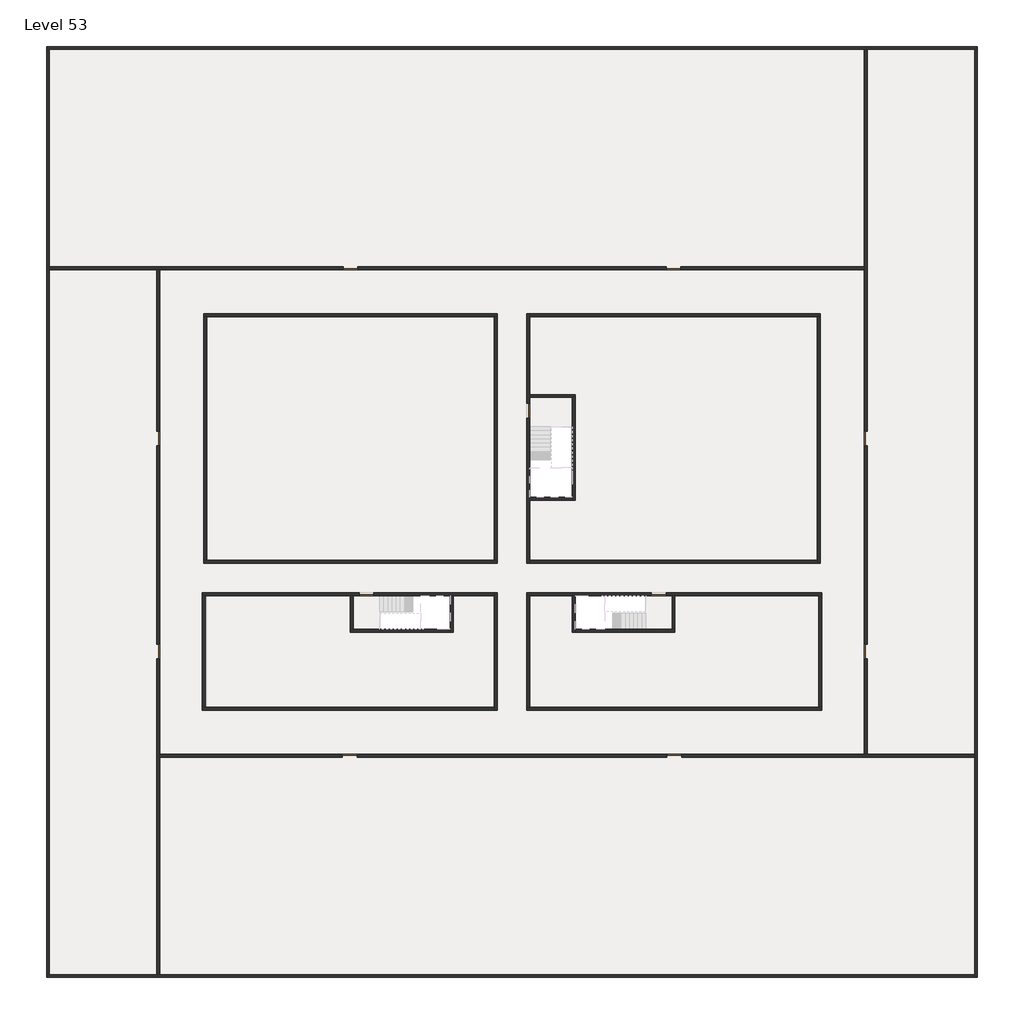
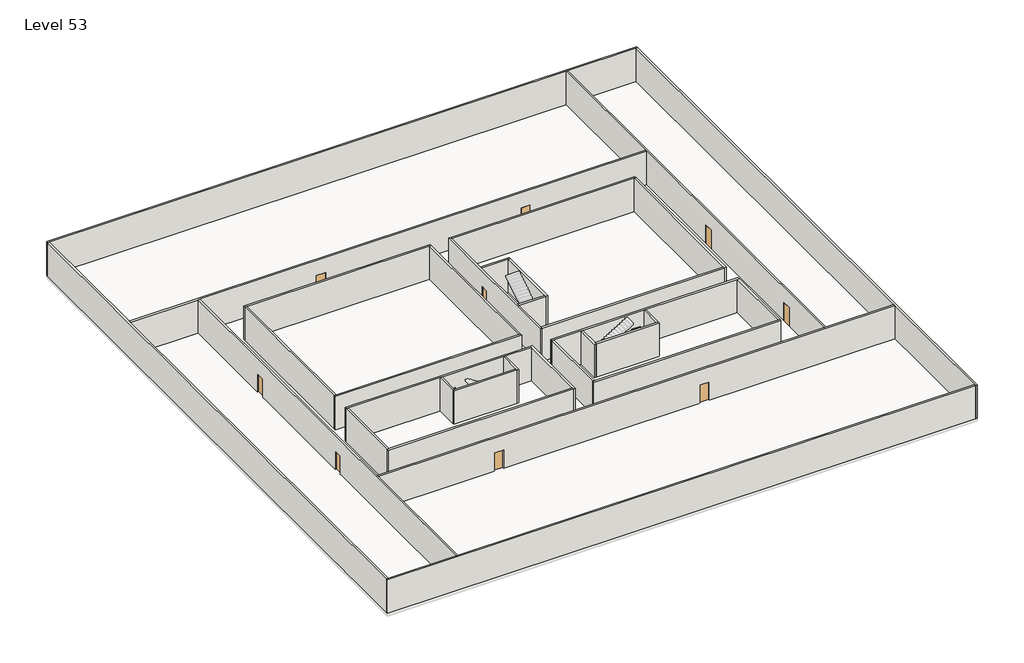
# One storey, part 1 of 2: 33 walls, 11 doors.
"""IFC4 building model written with IfcOpenShell, lengths in millimetres."""

import ifcopenshell
import ifcopenshell.guid

model = None  # the IFC model being written
_history = None  # IfcOwnerHistory: only IFC2X3 demands one
_inside = {}  # id of a spatial element -> (the spatial element, [elements in it])
_under = {}  # id of a project, library or spatial element -> (it, [spatial elements below it])
_declared = {}  # id of a project -> (the project, [libraries it declares])
_typed = {}  # id of a type object -> (the type object, [elements of that type])
_made_of = {}  # id of a material, layer set ... -> (it, [elements and type objects made of it])


def new_model(schema):
    """Start an empty IFC model of exactly this schema.

    Asked for "IFC4X3", IfcOpenShell would pick the latest addendum, in which some entities
    have other attributes; the version numbers below select the first issue.
    IFC2X3 requires an IfcOwnerHistory on every rooted entity: one is made here for all.
    """
    global model, _history
    if schema == "IFC4X3":
        model = ifcopenshell.file(schema_version=(4, 3, 0, 0))
    else:
        model = ifcopenshell.file(schema=schema)
    _inside.clear()
    _under.clear()
    _declared.clear()
    _typed.clear()
    _made_of.clear()
    _history = None
    if model.schema == "IFC2X3":
        org = make("IfcOrganization", Name="unknown")
        user = make(
            "IfcPersonAndOrganization",
            ThePerson=make("IfcPerson", FamilyName="unknown"),
            TheOrganization=org,
        )
        app = make(
            "IfcApplication",
            ApplicationDeveloper=org,
            Version="unknown",
            ApplicationFullName="unknown",
            ApplicationIdentifier="unknown",
        )
        _history = make(
            "IfcOwnerHistory",
            OwningUser=user,
            OwningApplication=app,
            ChangeAction="ADDED",
            CreationDate=0,
        )
    return model


def make(cls, **values):
    """One entity of the class cls with the attributes given. An attribute that is None is left unset."""
    return model.create_entity(
        cls, **{name: value for name, value in values.items() if value is not None}
    )


def rooted(cls, **values):
    """An entity with a GlobalId (a new one), such as an element, a storey or a relation."""
    return make(cls, GlobalId=ifcopenshell.guid.new(), OwnerHistory=_history, **values)


def si_unit(unit_type, name, prefix=None):
    """IfcSIUnit, for example si_unit("LENGTHUNIT", "METRE", prefix="MILLI")."""
    return make("IfcSIUnit", UnitType=unit_type, Prefix=prefix, Name=name)


def assignment(units):
    """IfcUnitAssignment: the units of a project."""
    return None if units is None else make("IfcUnitAssignment", Units=units)


def point(xyz):
    """IfcCartesianPoint."""
    return None if xyz is None else make("IfcCartesianPoint", Coordinates=xyz)


def direction(xyz):
    """IfcDirection."""
    return None if xyz is None else make("IfcDirection", DirectionRatios=xyz)


def frame(location, z_axis=None, x_axis=None):
    """IfcAxis2Placement3D, a coordinate frame: its origin and axes. An axis left out is left unset."""
    return make(
        "IfcAxis2Placement3D",
        Location=point(location),
        Axis=direction(z_axis),
        RefDirection=direction(x_axis),
    )


def origin():
    """The frame at (0, 0, 0) with its axes left unset."""
    return frame((0.0, 0.0, 0.0))


def origin_with_axes():
    """The frame at (0, 0, 0) with the z axis (0, 0, 1) and the x axis (1, 0, 0) written out."""
    return frame((0.0, 0.0, 0.0), z_axis=(0.0, 0.0, 1.0), x_axis=(1.0, 0.0, 0.0))


def place(relative_to, where):
    """IfcLocalPlacement: puts the frame where relative to a parent placement (None: the world)."""
    return make(
        "IfcLocalPlacement", PlacementRelTo=relative_to, RelativePlacement=where
    )


def context(
    kind, dimensions, precision=None, world=None, true_north=None, identifier=None
):
    """IfcGeometricRepresentationContext, for example the 3D "Model" context."""
    return make(
        "IfcGeometricRepresentationContext",
        ContextIdentifier=identifier,
        ContextType=kind,
        CoordinateSpaceDimension=dimensions,
        Precision=precision,
        WorldCoordinateSystem=world,
        TrueNorth=true_north,
    )


def project(units=None, contexts=None):
    """IfcProject with its units and contexts."""
    return rooted(
        "IfcProject",
        Name="project",
        RepresentationContexts=contexts,
        UnitsInContext=assignment(units),
    )


def spatial(cls, under=None, at=None, **own):
    """A site, building, storey or space (cls), placed at a placement, below another one or the project."""
    s = rooted(cls, ObjectPlacement=at, **own)
    if under is not None:
        _under.setdefault(under.id(), (under, []))[1].append(s)
    return s


def polyline(points):
    """IfcPolyline through the points."""
    return make("IfcPolyline", Points=[point(p) for p in points])


def outline(outer, holes=None, kind="AREA"):
    """IfcArbitraryClosedProfileDef: a profile drawn as a closed curve; with holes, ...WithVoids."""
    if holes is None:
        return make("IfcArbitraryClosedProfileDef", ProfileType=kind, OuterCurve=outer)
    return make(
        "IfcArbitraryProfileDefWithVoids",
        ProfileType=kind,
        OuterCurve=outer,
        InnerCurves=holes,
    )


def extrude(swept, where, along, depth):
    """IfcExtrudedAreaSolid: the profile swept, set in the frame where, extruded along a direction by depth."""
    return make(
        "IfcExtrudedAreaSolid",
        SweptArea=swept,
        Position=where,
        ExtrudedDirection=direction(along),
        Depth=depth,
    )


def faces_of(points, faces, orient=None, outer=None):
    """IfcFace entities. A face is a list of loops; a loop is a list of indices into points, from 0.

    orient and outer hold one flag for each loop. By default every Orientation is true, the
    first loop of a face is its IfcFaceOuterBound and the others are IfcFaceBound.
    """
    made = []
    for i, loops in enumerate(faces):
        bounds = []
        for j, loop in enumerate(loops):
            is_outer = j == 0 if outer is None else outer[i][j]
            bounds.append(
                make(
                    "IfcFaceOuterBound" if is_outer else "IfcFaceBound",
                    Bound=make("IfcPolyLoop", Polygon=[points[k] for k in loop]),
                    Orientation=True if orient is None else orient[i][j],
                )
            )
        made.append(make("IfcFace", Bounds=bounds))
    return made


def faceted_brep(points, faces, orient=None, outer=None, voids=None):
    """IfcFacetedBrep: a solid bounded by flat faces; with voids (closed shells), ...WithVoids."""
    shared = [point(p) for p in points]
    hull = make("IfcClosedShell", CfsFaces=faces_of(shared, faces, orient, outer))
    if voids is None:
        return make("IfcFacetedBrep", Outer=hull)
    return make(
        "IfcFacetedBrepWithVoids",
        Outer=hull,
        Voids=[
            make(cls, CfsFaces=faces_of(shared, fs, o, b)) for cls, fs, o, b in voids
        ],
    )


def shape(context_of_items, identifier, shape_type, items):
    """IfcShapeRepresentation: the items that make up one representation, for example the "Body"."""
    return make(
        "IfcShapeRepresentation",
        ContextOfItems=context_of_items,
        RepresentationIdentifier=identifier,
        RepresentationType=shape_type,
        Items=items,
    )


def source(mapping_origin, context_of_items, identifier, shape_type, items):
    """IfcRepresentationMap: a shape defined once, which mapped items show again and again."""
    return make(
        "IfcRepresentationMap",
        MappingOrigin=mapping_origin,
        MappedRepresentation=shape(context_of_items, identifier, shape_type, items),
    )


def transform(
    local_origin,
    x_axis=None,
    y_axis=None,
    z_axis=None,
    scale=None,
    scale2=None,
    scale3=None,
    uniform=True,
):
    """IfcCartesianTransformationOperator3D, or its non-uniform kind. x_axis, y_axis, z_axis: its Axis1, 2, 3."""
    if uniform:
        return make(
            "IfcCartesianTransformationOperator3D",
            Axis1=direction(x_axis),
            Axis2=direction(y_axis),
            LocalOrigin=point(local_origin),
            Scale=scale,
            Axis3=direction(z_axis),
        )
    return make(
        "IfcCartesianTransformationOperator3DnonUniform",
        Axis1=direction(x_axis),
        Axis2=direction(y_axis),
        LocalOrigin=point(local_origin),
        Scale=scale,
        Axis3=direction(z_axis),
        Scale2=scale2,
        Scale3=scale3,
    )


def mapped(mapping_source, mapping_target):
    """IfcMappedItem: shows the shape of a source again, moved by a transform."""
    return make(
        "IfcMappedItem", MappingSource=mapping_source, MappingTarget=mapping_target
    )


def made_of(thing, what):
    """Note that an element or type object is made of a material, layer set ...; save() writes the relation."""
    if what is not None:
        _made_of.setdefault(what.id(), (what, []))[1].append(thing)
    return thing


def element(
    cls,
    number,
    at=None,
    inside=None,
    cuts=None,
    type_object=None,
    material=None,
    context=None,
    identifier="Body",
    shape_type=None,
    held_by="IfcProductDefinitionShape",
    body=None,
    shapes=None,
    **own,
):
    """One element of the class cls, such as IfcWall. Its Tag is "e" and its number.

    at: its placement. inside: the storey or other place that contains it. cuts: it is an
    opening in that element (IfcRelVoidsElement). A single representation is given by context,
    identifier, shape_type and body (its items); several are given by shapes. held_by: the class
    of the entity that holds the representations. save() writes the other relations.
    """
    e = rooted(cls, Tag="e%d" % number, ObjectPlacement=at, **own)
    if body is not None:
        shapes = [shape(context, identifier, shape_type, body)]
    if shapes is not None:
        e.Representation = make(held_by, Representations=shapes)
    if inside is not None:
        _inside.setdefault(inside.id(), (inside, []))[1].append(e)
    if cuts is not None:
        rooted(
            "IfcRelVoidsElement", RelatingBuildingElement=cuts, RelatedOpeningElement=e
        )
    if type_object is not None:
        _typed.setdefault(type_object.id(), (type_object, []))[1].append(e)
    return made_of(e, material)


def aggregate(whole, parts):
    """IfcRelAggregates: a whole, such as a stair, and the parts it consists of."""
    return rooted("IfcRelAggregates", RelatingObject=whole, RelatedObjects=parts)


def save(model, path):
    """Write the relations noted so far, then the file.

    IfcRelAggregates (storeys below a building ...), IfcRelContainedInSpatialStructure (elements
    in a storey), IfcRelDefinesByType, IfcRelAssociatesMaterial and IfcRelDeclares: one each for
    every whole, place, type object, material and project.
    """
    for whole, parts in _under.values():
        aggregate(whole, parts)
    for where, things in _inside.values():
        rooted(
            "IfcRelContainedInSpatialStructure",
            RelatedElements=things,
            RelatingStructure=where,
        )
    for kind, things in _typed.values():
        rooted("IfcRelDefinesByType", RelatedObjects=things, RelatingType=kind)
    for what, things in _made_of.values():
        rooted("IfcRelAssociatesMaterial", RelatedObjects=things, RelatingMaterial=what)
    for by, libraries in _declared.values():
        rooted("IfcRelDeclares", RelatingContext=by, RelatedDefinitions=libraries)
    model.write(path)


def door_fb3c37fd(model_context):
    return source(origin(), model_context, "Body", "SweptSolid", [
        extrude(outline(polyline([(500.0, 49.0), (-500.0, 49.0), (-500.0, 100.0), (500.0, 100.0), (500.0, 49.0)])), origin_with_axes(), (0.0, 0.0, 1.0), 2100.0),
    ])


def door_0317a72c(model_context):
    return source(origin(), model_context, "Body", "SweptSolid", [
        extrude(outline(polyline([(500.0, -49.0), (500.0, -100.0), (-500.0, -100.0), (-500.0, -49.0), (500.0, -49.0)])), origin_with_axes(), (0.0, 0.0, 1.0), 2100.0),
    ])


model = new_model("IFC4")

# Units and contexts
model_context = context("Model", 3, world=origin())
ifc_project = project(units=[si_unit("LENGTHUNIT", "METRE", prefix="MILLI")], contexts=[model_context])

# Site, building, storey
site = spatial("IfcSite", under=ifc_project)
building = spatial("IfcBuilding", under=site)
storey = spatial("IfcBuildingStorey", under=building, Name="Level 53", Elevation=197600.0)

# Doors
placement = place(None, origin())
door_shape = door_fb3c37fd(model_context)
element("IfcDoor", 1, at=placement, inside=storey, context=model_context, shape_type="MappedRepresentation", body=[
    mapped(door_shape, transform((14290.1058784, -42818.09644, 197600.0), x_axis=(-1.0, 0.0, 0.0), y_axis=(0.0, -1.0, 0.0), z_axis=(0.0, 0.0, 1.0))),
])
element("IfcDoor", 2, at=placement, inside=storey, context=model_context, shape_type="MappedRepresentation", body=[
    mapped(door_shape, transform((35190.1058784, -20618.09644, 197600.0), x_axis=(-1.0, 0.0, 0.0), y_axis=(0.0, -1.0, 0.0), z_axis=(0.0, 0.0, 1.0))),
])
element("IfcDoor", 3, at=placement, inside=storey, context=model_context, shape_type="MappedRepresentation", body=[
    mapped(door_shape, transform((13190.1058784, -20618.09644, 197600.0), x_axis=(-1.0, 0.0, 0.0), y_axis=(0.0, -1.0, 0.0), z_axis=(0.0, 0.0, 1.0))),
])
element("IfcDoor", 4, at=placement, inside=storey, context=model_context, shape_type="MappedRepresentation", body=[
    mapped(door_shape, transform((90.1058784, -32218.09644, 197600.0), x_axis=(0.0, -1.0, 0.0), y_axis=(1.0, 0.0, 0.0), z_axis=(0.0, 0.0, 1.0))),
])
element("IfcDoor", 5, at=placement, inside=storey, context=model_context, shape_type="MappedRepresentation", body=[
    mapped(door_shape, transform((90.1058784, -46718.09644, 197600.0), x_axis=(0.0, -1.0, 0.0), y_axis=(1.0, 0.0, 0.0), z_axis=(0.0, 0.0, 1.0))),
])
element("IfcDoor", 6, at=placement, inside=storey, context=model_context, shape_type="MappedRepresentation", body=[
    mapped(door_shape, transform((13140.1058784, -53818.09644, 197600.0), x_axis=(1.0, 0.0, 0.0), y_axis=(0.0, 1.0, 0.0), z_axis=(0.0, 0.0, 1.0))),
])
element("IfcDoor", 7, at=placement, inside=storey, context=model_context, shape_type="MappedRepresentation", body=[
    mapped(door_shape, transform((35240.1058784, -53818.09644, 197600.0), x_axis=(1.0, 0.0, 0.0), y_axis=(0.0, 1.0, 0.0), z_axis=(0.0, 0.0, 1.0))),
])
door_2_shape = door_0317a72c(model_context)
element("IfcDoor", 8, at=placement, inside=storey, context=model_context, shape_type="MappedRepresentation", body=[
    mapped(door_2_shape, transform((25290.1058784, -30318.09644, 197600.0), x_axis=(0.0, 1.0, 0.0), y_axis=(-1.0, 0.0, 0.0), z_axis=(0.0, 0.0, 1.0))),
])
element("IfcDoor", 9, at=placement, inside=storey, context=model_context, shape_type="MappedRepresentation", body=[
    mapped(door_2_shape, transform((34190.1058784, -42818.09644, 197600.0), x_axis=(1.0, 0.0, 0.0), y_axis=(0.0, 1.0, 0.0), z_axis=(0.0, 0.0, 1.0))),
])
element("IfcDoor", 10, at=placement, inside=storey, context=model_context, shape_type="MappedRepresentation", body=[
    mapped(door_2_shape, transform((48290.1058784, -46718.09644, 197600.0), x_axis=(0.0, -1.0, 0.0), y_axis=(1.0, 0.0, 0.0), z_axis=(0.0, 0.0, 1.0))),
])
element("IfcDoor", 11, at=placement, inside=storey, context=model_context, shape_type="MappedRepresentation", body=[
    mapped(door_2_shape, transform((48290.1058784, -32218.09644, 197600.0), x_axis=(0.0, -1.0, 0.0), y_axis=(1.0, 0.0, 0.0), z_axis=(0.0, 0.0, 1.0))),
])

# Walls
element("IfcWall", 12, at=placement, inside=storey, context=model_context, shape_type="Brep", body=[
    faceted_brep([(-7509.8941216, -5718.09644, 197600.0), (-7309.8941216, -5718.09644, 197600.0), (48190.1058784, -5718.09644, 197600.0), (48390.1058784, -5718.09644, 197600.0), (55690.1058784, -5718.09644, 197600.0), (55890.1058784, -5718.09644, 197600.0), (55890.1058784, -5718.09644, 201400.0), (55690.1058784, -5718.09644, 201400.0), (48390.1058784, -5718.09644, 201400.0), (48190.1058784, -5718.09644, 201400.0), (-7309.8941216, -5718.09644, 201400.0), (-7509.8941216, -5718.09644, 201400.0), (-7509.8941216, -5518.09644, 197600.0), (-7509.8941216, -5518.09644, 201400.0), (55890.1058784, -5518.09644, 201400.0), (55890.1058784, -5518.09644, 197600.0)], [[[0, 1, 2, 3, 4, 5, 6, 7, 8, 9, 10, 11]], [[12, 13, 14, 15]], [[5, 4, 3, 2, 1, 0, 12, 15]], [[11, 10, 9, 8, 7, 6, 14, 13]], [[0, 11, 13, 12]], [[6, 5, 15, 14]]]),
])
element("IfcWall", 13, at=placement, inside=storey, context=model_context, shape_type="Brep", body=[
    faceted_brep([(55690.1058784, -5718.09644, 197600.0), (55690.1058784, -53718.09644, 197600.0), (55690.1058784, -53918.09644, 197600.0), (55690.1058784, -68718.09644, 197600.0), (55690.1058784, -68918.09644, 197600.0), (55690.1058784, -68918.09644, 201400.0), (55690.1058784, -68718.09644, 201400.0), (55690.1058784, -53918.09644, 201400.0), (55690.1058784, -53718.09644, 201400.0), (55690.1058784, -5718.09644, 201400.0), (55890.1058784, -5718.09644, 197600.0), (55890.1058784, -5718.09644, 201400.0), (55890.1058784, -68918.09644, 201400.0), (55890.1058784, -68918.09644, 197600.0)], [[[0, 1, 2, 3, 4, 5, 6, 7, 8, 9]], [[10, 11, 12, 13]], [[4, 3, 2, 1, 0, 10, 13]], [[9, 8, 7, 6, 5, 12, 11]], [[5, 4, 13, 12]], [[0, 9, 11, 10]]]),
])
element("IfcWall", 14, at=placement, inside=storey, context=model_context, shape_type="Brep", body=[
    faceted_brep([(55690.1058784, -68718.09644, 197600.0), (190.1058784, -68718.09644, 197600.0), (-9.8941216, -68718.09644, 197600.0), (-7309.8941216, -68718.09644, 197600.0), (-7509.8941216, -68718.09644, 197600.0), (-7509.8941216, -68718.09644, 201400.0), (-7309.8941216, -68718.09644, 201400.0), (-9.8941216, -68718.09644, 201400.0), (190.1058784, -68718.09644, 201400.0), (55690.1058784, -68718.09644, 201400.0), (55690.1058784, -68918.09644, 197600.0), (55690.1058784, -68918.09644, 201400.0), (-7509.8941216, -68918.09644, 201400.0), (-7509.8941216, -68918.09644, 197600.0)], [[[0, 1, 2, 3, 4, 5, 6, 7, 8, 9]], [[10, 11, 12, 13]], [[4, 3, 2, 1, 0, 10, 13]], [[9, 8, 7, 6, 5, 12, 11]], [[5, 4, 13, 12]], [[0, 9, 11, 10]]]),
])
element("IfcWall", 15, at=placement, inside=storey, context=model_context, shape_type="Brep", body=[
    faceted_brep([(-7309.8941216, -68718.09644, 197600.0), (-7309.8941216, -20718.09644, 197600.0), (-7309.8941216, -20518.09644, 197600.0), (-7309.8941216, -5718.09644, 197600.0), (-7309.8941216, -5718.09644, 201400.0), (-7309.8941216, -20518.09644, 201400.0), (-7309.8941216, -20718.09644, 201400.0), (-7309.8941216, -68718.09644, 201400.0), (-7509.8941216, -68718.09644, 197600.0), (-7509.8941216, -68718.09644, 201400.0), (-7509.8941216, -5718.09644, 201400.0), (-7509.8941216, -5718.09644, 197600.0)], [[[0, 1, 2, 3, 4, 5, 6, 7]], [[8, 9, 10, 11]], [[3, 2, 1, 0, 8, 11]], [[7, 6, 5, 4, 10, 9]], [[0, 7, 9, 8]], [[4, 3, 11, 10]]]),
])
element("IfcWall", 16, at=placement, inside=storey, context=model_context, shape_type="Brep", body=[
    faceted_brep([(3190.1058784, -23918.09644, 197600.0), (3390.1058784, -23918.09644, 197600.0), (22990.1058784, -23918.09644, 197600.0), (23190.1058784, -23918.09644, 197600.0), (23190.1058784, -23918.09644, 201400.0), (22990.1058784, -23918.09644, 201400.0), (3390.1058784, -23918.09644, 201400.0), (3190.1058784, -23918.09644, 201400.0), (3190.1058784, -23718.09644, 197600.0), (3190.1058784, -23718.09644, 201400.0), (23190.1058784, -23718.09644, 201400.0), (23190.1058784, -23718.09644, 197600.0)], [[[0, 1, 2, 3, 4, 5, 6, 7]], [[8, 9, 10, 11]], [[3, 2, 1, 0, 8, 11]], [[7, 6, 5, 4, 10, 9]], [[4, 3, 11, 10]], [[0, 7, 9, 8]]]),
])
element("IfcWall", 17, at=placement, inside=storey, context=model_context, shape_type="Brep", body=[
    faceted_brep([(44990.1058784, -23918.09644, 197600.0), (44990.1058784, -40518.09644, 197600.0), (44990.1058784, -40718.09644, 197600.0), (44990.1058784, -40718.09644, 201400.0), (44990.1058784, -40518.09644, 201400.0), (44990.1058784, -23918.09644, 201400.0), (45190.1058784, -23918.09644, 197600.0), (45190.1058784, -23918.09644, 201400.0), (45190.1058784, -40718.09644, 201400.0), (45190.1058784, -40718.09644, 197600.0)], [[[0, 1, 2, 3, 4, 5]], [[6, 7, 8, 9]], [[2, 1, 0, 6, 9]], [[5, 4, 3, 8, 7]], [[3, 2, 9, 8]], [[0, 5, 7, 6]]]),
])
element("IfcWall", 18, at=placement, inside=storey, context=model_context, shape_type="Brep", body=[
    faceted_brep([(45290.1058784, -50518.09644, 197600.0), (45090.1058784, -50518.09644, 197600.0), (25390.1058784, -50518.09644, 197600.0), (25190.1058784, -50518.09644, 197600.0), (25190.1058784, -50518.09644, 201400.0), (25390.1058784, -50518.09644, 201400.0), (45090.1058784, -50518.09644, 201400.0), (45290.1058784, -50518.09644, 201400.0), (45290.1058784, -50718.09644, 197600.0), (45290.1058784, -50718.09644, 201400.0), (25190.1058784, -50718.09644, 201400.0), (25190.1058784, -50718.09644, 197600.0)], [[[0, 1, 2, 3, 4, 5, 6, 7]], [[8, 9, 10, 11]], [[3, 2, 1, 0, 8, 11]], [[7, 6, 5, 4, 10, 9]], [[4, 3, 11, 10]], [[0, 7, 9, 8]]]),
])
element("IfcWall", 19, at=placement, inside=storey, context=model_context, shape_type="SweptSolid", body=[
    extrude(outline(polyline([(22990.1058784, -40518.09644), (22990.1058784, -23918.09644), (23190.1058784, -23918.09644), (23190.1058784, -40518.09644), (22990.1058784, -40518.09644)])), frame((0.0, 0.0, 197600.0), z_axis=(0.0, 0.0, 1.0), x_axis=(1.0, 0.0, 0.0)), (0.0, 0.0, 1.0), 3800.0),
])
element("IfcWall", 20, at=placement, inside=storey, context=model_context, shape_type="Brep", body=[
    faceted_brep([(23190.1058784, -40518.09644, 197600.0), (22990.1058784, -40518.09644, 197600.0), (3390.1058784, -40518.09644, 197600.0), (3190.1058784, -40518.09644, 197600.0), (3190.1058784, -40518.09644, 201400.0), (3390.1058784, -40518.09644, 201400.0), (22990.1058784, -40518.09644, 201400.0), (23190.1058784, -40518.09644, 201400.0), (23190.1058784, -40718.09644, 197600.0), (23190.1058784, -40718.09644, 201400.0), (3190.1058784, -40718.09644, 201400.0), (3190.1058784, -40718.09644, 197600.0)], [[[0, 1, 2, 3, 4, 5, 6, 7]], [[8, 9, 10, 11]], [[3, 2, 1, 0, 8, 11]], [[7, 6, 5, 4, 10, 9]], [[0, 7, 9, 8]], [[4, 3, 11, 10]]]),
])
element("IfcWall", 21, at=placement, inside=storey, context=model_context, shape_type="Brep", body=[
    faceted_brep([(3090.1058784, -42918.09644, 197600.0), (3290.1058784, -42918.09644, 197600.0), (13190.1058784, -42918.09644, 197600.0), (13390.1058784, -42918.09644, 197600.0), (13790.1058784, -42918.09644, 197600.0), (13790.1058784, -42918.09644, 199700.0), (14790.1058784, -42918.09644, 199700.0), (14790.1058784, -42918.09644, 197600.0), (19990.1058784, -42918.09644, 197600.0), (20190.1058784, -42918.09644, 197600.0), (22990.1058784, -42918.09644, 197600.0), (22990.1058784, -42918.09644, 201400.0), (20190.1058784, -42918.09644, 201400.0), (19990.1058784, -42918.09644, 201400.0), (13390.1058784, -42918.09644, 201400.0), (13190.1058784, -42918.09644, 201400.0), (3290.1058784, -42918.09644, 201400.0), (3090.1058784, -42918.09644, 201400.0), (13790.1058784, -42718.09644, 199700.0), (13790.1058784, -42718.09644, 197600.0), (3090.1058784, -42718.09644, 197600.0), (3090.1058784, -42718.09644, 201400.0), (22990.1058784, -42718.09644, 201400.0), (22990.1058784, -42718.09644, 197600.0), (14790.1058784, -42718.09644, 197600.0), (14790.1058784, -42718.09644, 199700.0)], [[[0, 1, 2, 3, 4, 5, 6, 7, 8, 9, 10, 11, 12, 13, 14, 15, 16, 17]], [[18, 19, 20, 21, 22, 23, 24, 25]], [[24, 23, 10, 9, 8, 7]], [[20, 19, 4, 3, 2, 1, 0]], [[17, 16, 15, 14, 13, 12, 11, 22, 21]], [[5, 4, 19, 18]], [[6, 5, 18, 25]], [[7, 6, 25, 24]], [[0, 17, 21, 20]], [[11, 10, 23, 22]]]),
])
element("IfcWall", 22, at=placement, inside=storey, context=model_context, shape_type="SweptSolid", body=[
    extrude(outline(polyline([(25390.1058784, -40518.09644), (44990.1058784, -40518.09644), (44990.1058784, -40718.09644), (25390.1058784, -40718.09644), (25390.1058784, -40518.09644)])), frame((0.0, 0.0, 197600.0), z_axis=(0.0, 0.0, 1.0), x_axis=(1.0, 0.0, 0.0)), (0.0, 0.0, 1.0), 3800.0),
])
element("IfcWall", 23, at=placement, inside=storey, context=model_context, shape_type="Brep", body=[
    faceted_brep([(25390.1058784, -29818.09644, 199700.0), (25390.1058784, -29818.09644, 197600.0), (25390.1058784, -29418.09644, 197600.0), (25390.1058784, -29218.09644, 197600.0), (25390.1058784, -23918.09644, 197600.0), (25390.1058784, -23718.09644, 197600.0), (25390.1058784, -23718.09644, 201400.0), (25390.1058784, -23918.09644, 201400.0), (25390.1058784, -29218.09644, 201400.0), (25390.1058784, -29418.09644, 201400.0), (25390.1058784, -36218.09644, 201400.0), (25390.1058784, -36418.09644, 201400.0), (25390.1058784, -40518.09644, 201400.0), (25390.1058784, -40718.09644, 201400.0), (25390.1058784, -40718.09644, 197600.0), (25390.1058784, -40518.09644, 197600.0), (25390.1058784, -36418.09644, 197600.0), (25390.1058784, -36218.09644, 197600.0), (25390.1058784, -30818.09644, 197600.0), (25390.1058784, -30818.09644, 199700.0), (25190.1058784, -23718.09644, 197600.0), (25190.1058784, -29818.09644, 197600.0), (25190.1058784, -29818.09644, 199700.0), (25190.1058784, -30818.09644, 199700.0), (25190.1058784, -30818.09644, 197600.0), (25190.1058784, -40718.09644, 197600.0), (25190.1058784, -40718.09644, 201400.0), (25190.1058784, -23718.09644, 201400.0)], [[[0, 1, 2, 3, 4, 5, 6, 7, 8, 9, 10, 11, 12, 13, 14, 15, 16, 17, 18, 19]], [[20, 21, 22, 23, 24, 25, 26, 27]], [[5, 4, 3, 2, 1, 21, 20]], [[18, 17, 16, 15, 14, 25, 24]], [[13, 12, 11, 10, 9, 8, 7, 6, 27, 26]], [[22, 21, 1, 0]], [[23, 22, 0, 19]], [[24, 23, 19, 18]], [[14, 13, 26, 25]], [[6, 5, 20, 27]]]),
])
element("IfcWall", 24, at=placement, inside=storey, context=model_context, shape_type="SweptSolid", body=[
    extrude(outline(polyline([(3390.1058784, -23918.09644), (3390.1058784, -40518.09644), (3190.1058784, -40518.09644), (3190.1058784, -23918.09644), (3390.1058784, -23918.09644)])), frame((0.0, 0.0, 197600.0), z_axis=(0.0, 0.0, 1.0), x_axis=(1.0, 0.0, 0.0)), (0.0, 0.0, 1.0), 3800.0),
])
element("IfcWall", 25, at=placement, inside=storey, context=model_context, shape_type="Brep", body=[
    faceted_brep([(25390.1058784, -23918.09644, 197600.0), (44990.1058784, -23918.09644, 197600.0), (45190.1058784, -23918.09644, 197600.0), (45190.1058784, -23918.09644, 201400.0), (44990.1058784, -23918.09644, 201400.0), (25390.1058784, -23918.09644, 201400.0), (25390.1058784, -23718.09644, 197600.0), (25390.1058784, -23718.09644, 201400.0), (45190.1058784, -23718.09644, 201400.0), (45190.1058784, -23718.09644, 197600.0)], [[[0, 1, 2, 3, 4, 5]], [[6, 7, 8, 9]], [[2, 1, 0, 6, 9]], [[5, 4, 3, 8, 7]], [[3, 2, 9, 8]], [[0, 5, 7, 6]]]),
])
element("IfcWall", 26, at=placement, inside=storey, context=model_context, shape_type="Brep", body=[
    faceted_brep([(25390.1058784, -29418.09644, 197600.0), (28290.1058784, -29418.09644, 197600.0), (28490.1058784, -29418.09644, 197600.0), (28490.1058784, -29418.09644, 201400.0), (28290.1058784, -29418.09644, 201400.0), (25390.1058784, -29418.09644, 201400.0), (25390.1058784, -29218.09644, 197600.0), (25390.1058784, -29218.09644, 201400.0), (28490.1058784, -29218.09644, 201400.0), (28490.1058784, -29218.09644, 197600.0)], [[[0, 1, 2, 3, 4, 5]], [[6, 7, 8, 9]], [[2, 1, 0, 6, 9]], [[5, 4, 3, 8, 7]], [[3, 2, 9, 8]], [[0, 5, 7, 6]]]),
])
element("IfcWall", 27, at=placement, inside=storey, context=model_context, shape_type="Brep", body=[
    faceted_brep([(28290.1058784, -29418.09644, 197600.0), (28290.1058784, -36218.09644, 197600.0), (28290.1058784, -36418.09644, 197600.0), (28290.1058784, -36418.09644, 201400.0), (28290.1058784, -36218.09644, 201400.0), (28290.1058784, -29418.09644, 201400.0), (28490.1058784, -29418.09644, 197600.0), (28490.1058784, -29418.09644, 201400.0), (28490.1058784, -36418.09644, 201400.0), (28490.1058784, -36418.09644, 197600.0)], [[[0, 1, 2, 3, 4, 5]], [[6, 7, 8, 9]], [[2, 1, 0, 6, 9]], [[5, 4, 3, 8, 7]], [[3, 2, 9, 8]], [[0, 5, 7, 6]]]),
])
element("IfcWall", 28, at=placement, inside=storey, context=model_context, shape_type="SweptSolid", body=[
    extrude(outline(polyline([(25390.1058784, -36218.09644), (28290.1058784, -36218.09644), (28290.1058784, -36418.09644), (25390.1058784, -36418.09644), (25390.1058784, -36218.09644)])), frame((0.0, 0.0, 197600.0), z_axis=(0.0, 0.0, 1.0), x_axis=(1.0, 0.0, 0.0)), (0.0, 0.0, 1.0), 3800.0),
])
element("IfcWall", 29, at=placement, inside=storey, context=model_context, shape_type="SweptSolid", body=[
    extrude(outline(polyline([(25190.1058784, -50518.09644), (25190.1058784, -42918.09644), (25390.1058784, -42918.09644), (25390.1058784, -50518.09644), (25190.1058784, -50518.09644)])), frame((0.0, 0.0, 197600.0), z_axis=(0.0, 0.0, 1.0), x_axis=(1.0, 0.0, 0.0)), (0.0, 0.0, 1.0), 3800.0),
])
element("IfcWall", 30, at=placement, inside=storey, context=model_context, shape_type="Brep", body=[
    faceted_brep([(22990.1058784, -42718.09644, 197600.0), (22990.1058784, -42918.09644, 197600.0), (22990.1058784, -50518.09644, 197600.0), (22990.1058784, -50718.09644, 197600.0), (22990.1058784, -50718.09644, 201400.0), (22990.1058784, -50518.09644, 201400.0), (22990.1058784, -42918.09644, 201400.0), (22990.1058784, -42718.09644, 201400.0), (23190.1058784, -42718.09644, 197600.0), (23190.1058784, -42718.09644, 201400.0), (23190.1058784, -50718.09644, 201400.0), (23190.1058784, -50718.09644, 197600.0)], [[[0, 1, 2, 3, 4, 5, 6, 7]], [[8, 9, 10, 11]], [[3, 2, 1, 0, 8, 11]], [[7, 6, 5, 4, 10, 9]], [[4, 3, 11, 10]], [[0, 7, 9, 8]]]),
])
element("IfcWall", 31, at=placement, inside=storey, context=model_context, shape_type="Brep", body=[
    faceted_brep([(34690.1058784, -42918.09644, 199700.0), (34690.1058784, -42918.09644, 197600.0), (35090.1058784, -42918.09644, 197600.0), (35290.1058784, -42918.09644, 197600.0), (45090.1058784, -42918.09644, 197600.0), (45290.1058784, -42918.09644, 197600.0), (45290.1058784, -42918.09644, 201400.0), (45090.1058784, -42918.09644, 201400.0), (35290.1058784, -42918.09644, 201400.0), (35090.1058784, -42918.09644, 201400.0), (28490.1058784, -42918.09644, 201400.0), (28290.1058784, -42918.09644, 201400.0), (25390.1058784, -42918.09644, 201400.0), (25190.1058784, -42918.09644, 201400.0), (25190.1058784, -42918.09644, 197600.0), (25390.1058784, -42918.09644, 197600.0), (28290.1058784, -42918.09644, 197600.0), (28490.1058784, -42918.09644, 197600.0), (33690.1058784, -42918.09644, 197600.0), (33690.1058784, -42918.09644, 199700.0), (45290.1058784, -42718.09644, 197600.0), (34690.1058784, -42718.09644, 197600.0), (34690.1058784, -42718.09644, 199700.0), (33690.1058784, -42718.09644, 199700.0), (33690.1058784, -42718.09644, 197600.0), (25190.1058784, -42718.09644, 197600.0), (25190.1058784, -42718.09644, 201400.0), (45290.1058784, -42718.09644, 201400.0)], [[[0, 1, 2, 3, 4, 5, 6, 7, 8, 9, 10, 11, 12, 13, 14, 15, 16, 17, 18, 19]], [[20, 21, 22, 23, 24, 25, 26, 27]], [[5, 4, 3, 2, 1, 21, 20]], [[18, 17, 16, 15, 14, 25, 24]], [[13, 12, 11, 10, 9, 8, 7, 6, 27, 26]], [[22, 21, 1, 0]], [[23, 22, 0, 19]], [[24, 23, 19, 18]], [[14, 13, 26, 25]], [[6, 5, 20, 27]]]),
])
element("IfcWall", 32, at=placement, inside=storey, context=model_context, shape_type="Brep", body=[
    faceted_brep([(22990.1058784, -50518.09644, 197600.0), (3290.1058784, -50518.09644, 197600.0), (3090.1058784, -50518.09644, 197600.0), (3090.1058784, -50518.09644, 201400.0), (3290.1058784, -50518.09644, 201400.0), (22990.1058784, -50518.09644, 201400.0), (22990.1058784, -50718.09644, 197600.0), (22990.1058784, -50718.09644, 201400.0), (3090.1058784, -50718.09644, 201400.0), (3090.1058784, -50718.09644, 197600.0)], [[[0, 1, 2, 3, 4, 5]], [[6, 7, 8, 9]], [[2, 1, 0, 6, 9]], [[5, 4, 3, 8, 7]], [[0, 5, 7, 6]], [[3, 2, 9, 8]]]),
])
element("IfcWall", 33, at=placement, inside=storey, context=model_context, shape_type="Brep", body=[
    faceted_brep([(28290.1058784, -42918.09644, 197600.0), (28290.1058784, -45418.09644, 197600.0), (28290.1058784, -45418.09644, 201400.0), (28290.1058784, -42918.09644, 201400.0), (28490.1058784, -42918.09644, 197600.0), (28490.1058784, -42918.09644, 201400.0), (28490.1058784, -45218.09644, 201400.0), (28490.1058784, -45418.09644, 201400.0), (28490.1058784, -45418.09644, 197600.0), (28490.1058784, -45218.09644, 197600.0)], [[[0, 1, 2, 3]], [[4, 5, 6, 7, 8, 9]], [[1, 0, 4, 9, 8]], [[3, 2, 7, 6, 5]], [[2, 1, 8, 7]], [[0, 3, 5, 4]]]),
])
element("IfcWall", 34, at=placement, inside=storey, context=model_context, shape_type="Brep", body=[
    faceted_brep([(28490.1058784, -45418.09644, 197600.0), (35290.1058784, -45418.09644, 197600.0), (35290.1058784, -45418.09644, 201400.0), (28490.1058784, -45418.09644, 201400.0), (28490.1058784, -45218.09644, 197600.0), (28490.1058784, -45218.09644, 201400.0), (35090.1058784, -45218.09644, 201400.0), (35290.1058784, -45218.09644, 201400.0), (35290.1058784, -45218.09644, 197600.0), (35090.1058784, -45218.09644, 197600.0)], [[[0, 1, 2, 3]], [[4, 5, 6, 7, 8, 9]], [[1, 0, 4, 9, 8]], [[3, 2, 7, 6, 5]], [[2, 1, 8, 7]], [[0, 3, 5, 4]]]),
])
element("IfcWall", 35, at=placement, inside=storey, context=model_context, shape_type="SweptSolid", body=[
    extrude(outline(polyline([(35290.1058784, -42918.09644), (35290.1058784, -45218.09644), (35090.1058784, -45218.09644), (35090.1058784, -42918.09644), (35290.1058784, -42918.09644)])), frame((0.0, 0.0, 197600.0), z_axis=(0.0, 0.0, 1.0), x_axis=(1.0, 0.0, 0.0)), (0.0, 0.0, 1.0), 3800.0),
])
element("IfcWall", 36, at=placement, inside=storey, context=model_context, shape_type="Brep", body=[
    faceted_brep([(19990.1058784, -42918.09644, 197600.0), (19990.1058784, -45218.09644, 197600.0), (19990.1058784, -45418.09644, 197600.0), (19990.1058784, -45418.09644, 201400.0), (19990.1058784, -45218.09644, 201400.0), (19990.1058784, -42918.09644, 201400.0), (20190.1058784, -42918.09644, 197600.0), (20190.1058784, -42918.09644, 201400.0), (20190.1058784, -45418.09644, 201400.0), (20190.1058784, -45418.09644, 197600.0)], [[[0, 1, 2, 3, 4, 5]], [[6, 7, 8, 9]], [[2, 1, 0, 6, 9]], [[5, 4, 3, 8, 7]], [[3, 2, 9, 8]], [[0, 5, 7, 6]]]),
])
element("IfcWall", 37, at=placement, inside=storey, context=model_context, shape_type="Brep", body=[
    faceted_brep([(19990.1058784, -45218.09644, 197600.0), (13390.1058784, -45218.09644, 197600.0), (13190.1058784, -45218.09644, 197600.0), (13190.1058784, -45218.09644, 201400.0), (13390.1058784, -45218.09644, 201400.0), (19990.1058784, -45218.09644, 201400.0), (19990.1058784, -45418.09644, 197600.0), (19990.1058784, -45418.09644, 201400.0), (13190.1058784, -45418.09644, 201400.0), (13190.1058784, -45418.09644, 197600.0)], [[[0, 1, 2, 3, 4, 5]], [[6, 7, 8, 9]], [[2, 1, 0, 6, 9]], [[5, 4, 3, 8, 7]], [[0, 5, 7, 6]], [[3, 2, 9, 8]]]),
])
element("IfcWall", 38, at=placement, inside=storey, context=model_context, shape_type="SweptSolid", body=[
    extrude(outline(polyline([(13390.1058784, -42918.09644), (13390.1058784, -45218.09644), (13190.1058784, -45218.09644), (13190.1058784, -42918.09644), (13390.1058784, -42918.09644)])), frame((0.0, 0.0, 197600.0), z_axis=(0.0, 0.0, 1.0), x_axis=(1.0, 0.0, 0.0)), (0.0, 0.0, 1.0), 3800.0),
])
element("IfcWall", 39, at=placement, inside=storey, context=model_context, shape_type="SweptSolid", body=[
    extrude(outline(polyline([(45290.1058784, -42918.09644), (45290.1058784, -50518.09644), (45090.1058784, -50518.09644), (45090.1058784, -42918.09644), (45290.1058784, -42918.09644)])), frame((0.0, 0.0, 197600.0), z_axis=(0.0, 0.0, 1.0), x_axis=(1.0, 0.0, 0.0)), (0.0, 0.0, 1.0), 3800.0),
])
element("IfcWall", 40, at=placement, inside=storey, context=model_context, shape_type="SweptSolid", body=[
    extrude(outline(polyline([(3290.1058784, -42918.09644), (3290.1058784, -50518.09644), (3090.1058784, -50518.09644), (3090.1058784, -42918.09644), (3290.1058784, -42918.09644)])), frame((0.0, 0.0, 197600.0), z_axis=(0.0, 0.0, 1.0), x_axis=(1.0, 0.0, 0.0)), (0.0, 0.0, 1.0), 3800.0),
])
element("IfcWall", 41, at=placement, inside=storey, context=model_context, shape_type="Brep", body=[
    faceted_brep([(-7309.8941216, -20718.09644, 197600.0), (-9.8941216, -20718.09644, 197600.0), (190.1058784, -20718.09644, 197600.0), (12690.1058784, -20718.09644, 197600.0), (12690.1058784, -20718.09644, 199700.0), (13690.1058784, -20718.09644, 199700.0), (13690.1058784, -20718.09644, 197600.0), (34690.1058784, -20718.09644, 197600.0), (34690.1058784, -20718.09644, 199700.0), (35690.1058784, -20718.09644, 199700.0), (35690.1058784, -20718.09644, 197600.0), (48190.1058784, -20718.09644, 197600.0), (48190.1058784, -20718.09644, 201400.0), (190.1058784, -20718.09644, 201400.0), (-9.8941216, -20718.09644, 201400.0), (-7309.8941216, -20718.09644, 201400.0), (12690.1058784, -20518.09644, 199700.0), (12690.1058784, -20518.09644, 197600.0), (-7309.8941216, -20518.09644, 197600.0), (-7309.8941216, -20518.09644, 201400.0), (48190.1058784, -20518.09644, 201400.0), (48190.1058784, -20518.09644, 197600.0), (35690.1058784, -20518.09644, 197600.0), (35690.1058784, -20518.09644, 199700.0), (34690.1058784, -20518.09644, 199700.0), (34690.1058784, -20518.09644, 197600.0), (13690.1058784, -20518.09644, 197600.0), (13690.1058784, -20518.09644, 199700.0)], [[[0, 1, 2, 3, 4, 5, 6, 7, 8, 9, 10, 11, 12, 13, 14, 15]], [[16, 17, 18, 19, 20, 21, 22, 23, 24, 25, 26, 27]], [[22, 21, 11, 10]], [[26, 25, 7, 6]], [[18, 17, 3, 2, 1, 0]], [[15, 14, 13, 12, 20, 19]], [[8, 7, 25, 24]], [[9, 8, 24, 23]], [[10, 9, 23, 22]], [[4, 3, 17, 16]], [[5, 4, 16, 27]], [[6, 5, 27, 26]], [[0, 15, 19, 18]], [[12, 11, 21, 20]]]),
])
element("IfcWall", 42, at=placement, inside=storey, context=model_context, shape_type="Brep", body=[
    faceted_brep([(48190.1058784, -32718.09644, 199700.0), (48190.1058784, -32718.09644, 197600.0), (48190.1058784, -46218.09644, 197600.0), (48190.1058784, -46218.09644, 199700.0), (48190.1058784, -47218.09644, 199700.0), (48190.1058784, -47218.09644, 197600.0), (48190.1058784, -53718.09644, 197600.0), (48190.1058784, -53718.09644, 201400.0), (48190.1058784, -20718.09644, 201400.0), (48190.1058784, -20518.09644, 201400.0), (48190.1058784, -5718.09644, 201400.0), (48190.1058784, -5718.09644, 197600.0), (48190.1058784, -20518.09644, 197600.0), (48190.1058784, -20718.09644, 197600.0), (48190.1058784, -31718.09644, 197600.0), (48190.1058784, -31718.09644, 199700.0), (48390.1058784, -46218.09644, 197600.0), (48390.1058784, -32718.09644, 197600.0), (48390.1058784, -32718.09644, 199700.0), (48390.1058784, -31718.09644, 199700.0), (48390.1058784, -31718.09644, 197600.0), (48390.1058784, -5718.09644, 197600.0), (48390.1058784, -5718.09644, 201400.0), (48390.1058784, -53718.09644, 201400.0), (48390.1058784, -53718.09644, 197600.0), (48390.1058784, -47218.09644, 197600.0), (48390.1058784, -47218.09644, 199700.0), (48390.1058784, -46218.09644, 199700.0)], [[[0, 1, 2, 3, 4, 5, 6, 7, 8, 9, 10, 11, 12, 13, 14, 15]], [[16, 17, 18, 19, 20, 21, 22, 23, 24, 25, 26, 27]], [[6, 5, 25, 24]], [[2, 1, 17, 16]], [[14, 13, 12, 11, 21, 20]], [[10, 9, 8, 7, 23, 22]], [[26, 25, 5, 4]], [[27, 26, 4, 3]], [[16, 27, 3, 2]], [[18, 17, 1, 0]], [[19, 18, 0, 15]], [[20, 19, 15, 14]], [[11, 10, 22, 21]], [[7, 6, 24, 23]]]),
])
element("IfcWall", 43, at=placement, inside=storey, context=model_context, shape_type="Brep", body=[
    faceted_brep([(55690.1058784, -53718.09644, 197600.0), (48390.1058784, -53718.09644, 197600.0), (48190.1058784, -53718.09644, 197600.0), (35740.1058784, -53718.09644, 197600.0), (35740.1058784, -53718.09644, 199700.0), (34740.1058784, -53718.09644, 199700.0), (34740.1058784, -53718.09644, 197600.0), (13640.1058784, -53718.09644, 197600.0), (13640.1058784, -53718.09644, 199700.0), (12640.1058784, -53718.09644, 199700.0), (12640.1058784, -53718.09644, 197600.0), (190.1058784, -53718.09644, 197600.0), (190.1058784, -53718.09644, 201400.0), (48190.1058784, -53718.09644, 201400.0), (48390.1058784, -53718.09644, 201400.0), (55690.1058784, -53718.09644, 201400.0), (35740.1058784, -53918.09644, 199700.0), (35740.1058784, -53918.09644, 197600.0), (55690.1058784, -53918.09644, 197600.0), (55690.1058784, -53918.09644, 201400.0), (190.1058784, -53918.09644, 201400.0), (190.1058784, -53918.09644, 197600.0), (12640.1058784, -53918.09644, 197600.0), (12640.1058784, -53918.09644, 199700.0), (13640.1058784, -53918.09644, 199700.0), (13640.1058784, -53918.09644, 197600.0), (34740.1058784, -53918.09644, 197600.0), (34740.1058784, -53918.09644, 199700.0)], [[[0, 1, 2, 3, 4, 5, 6, 7, 8, 9, 10, 11, 12, 13, 14, 15]], [[16, 17, 18, 19, 20, 21, 22, 23, 24, 25, 26, 27]], [[22, 21, 11, 10]], [[26, 25, 7, 6]], [[18, 17, 3, 2, 1, 0]], [[15, 14, 13, 12, 20, 19]], [[8, 7, 25, 24]], [[9, 8, 24, 23]], [[10, 9, 23, 22]], [[4, 3, 17, 16]], [[5, 4, 16, 27]], [[6, 5, 27, 26]], [[0, 15, 19, 18]], [[12, 11, 21, 20]]]),
])
element("IfcWall", 44, at=placement, inside=storey, context=model_context, shape_type="Brep", body=[
    faceted_brep([(190.1058784, -68718.09644, 197600.0), (190.1058784, -53918.09644, 197600.0), (190.1058784, -53718.09644, 197600.0), (190.1058784, -47218.09644, 197600.0), (190.1058784, -47218.09644, 199700.0), (190.1058784, -46218.09644, 199700.0), (190.1058784, -46218.09644, 197600.0), (190.1058784, -32718.09644, 197600.0), (190.1058784, -32718.09644, 199700.0), (190.1058784, -31718.09644, 199700.0), (190.1058784, -31718.09644, 197600.0), (190.1058784, -20718.09644, 197600.0), (190.1058784, -20718.09644, 201400.0), (190.1058784, -53718.09644, 201400.0), (190.1058784, -53918.09644, 201400.0), (190.1058784, -68718.09644, 201400.0), (-9.8941216, -47218.09644, 199700.0), (-9.8941216, -47218.09644, 197600.0), (-9.8941216, -68718.09644, 197600.0), (-9.8941216, -68718.09644, 201400.0), (-9.8941216, -20718.09644, 201400.0), (-9.8941216, -20718.09644, 197600.0), (-9.8941216, -31718.09644, 197600.0), (-9.8941216, -31718.09644, 199700.0), (-9.8941216, -32718.09644, 199700.0), (-9.8941216, -32718.09644, 197600.0), (-9.8941216, -46218.09644, 197600.0), (-9.8941216, -46218.09644, 199700.0)], [[[0, 1, 2, 3, 4, 5, 6, 7, 8, 9, 10, 11, 12, 13, 14, 15]], [[16, 17, 18, 19, 20, 21, 22, 23, 24, 25, 26, 27]], [[22, 21, 11, 10]], [[26, 25, 7, 6]], [[18, 17, 3, 2, 1, 0]], [[15, 14, 13, 12, 20, 19]], [[8, 7, 25, 24]], [[9, 8, 24, 23]], [[10, 9, 23, 22]], [[4, 3, 17, 16]], [[5, 4, 16, 27]], [[6, 5, 27, 26]], [[0, 15, 19, 18]], [[12, 11, 21, 20]]]),
])

save(model, "model.ifc")
